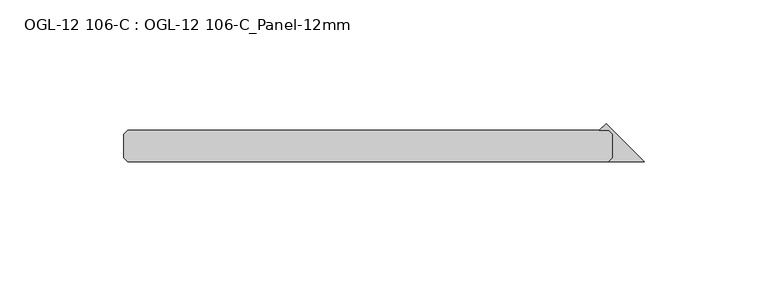
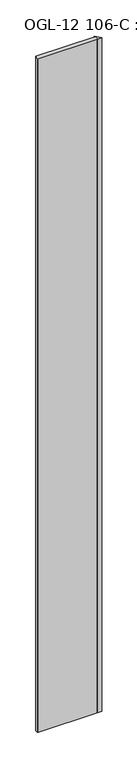
"""IFC4 building model written with IfcOpenShell, lengths in millimetres: plate geometry, OGL-12 106-C : OGL-12 106-C_Panel-12mm."""

from ifc_helpers import new_model, si_unit, origin, origin_with_axes, place, context, project, spatial, polyline, outline, extrude, source, transform, mapped, element, save


def ogl_12_106_c_ogl_12_106_c_panel_12mm_e43bb3da(model_context):
    return source(origin(), model_context, "Body", "SweptSolid", [
        extrude(outline(polyline([(95.6473423, -4.7625), (95.6473423, 4.7625), (94.0598423, 6.35), (90.2272782, 6.35), (92.9373103, 9.060032), (108.3473423, -6.35), (94.0598423, -6.35), (95.6473423, -4.7625)])), origin_with_axes(), (0.0, 0.0, 1.0), 2339.914687),
        extrude(outline(polyline([(94.0598423, -6.35), (-100.4098423, -6.35), (-101.9973423, -4.7625), (-101.9973423, 4.7625), (-100.4098423, 6.35), (94.0598423, 6.35), (95.6473423, 4.7625), (95.6473423, -4.7625), (94.0598423, -6.35)])), origin_with_axes(), (0.0, 0.0, 1.0), 2339.914687),
    ])


if __name__ == "__main__":
    model = new_model("IFC4")
    model_context = context("Model", 3, world=origin())
    ifc_project = project(units=[si_unit("LENGTHUNIT", "METRE", prefix="MILLI")], contexts=[model_context])
    site = spatial("IfcSite", under=ifc_project)
    building = spatial("IfcBuilding", under=site)
    placement = place(None, origin())
    ogl_12_106_c_ogl_12_106_c_panel_12mm_shape = ogl_12_106_c_ogl_12_106_c_panel_12mm_e43bb3da(model_context)
    element("IfcPlate", 1, ObjectType="OGL-12 106-C : OGL-12 106-C_Panel-12mm", at=placement, inside=building, context=model_context, shape_type="MappedRepresentation", body=[
        mapped(ogl_12_106_c_ogl_12_106_c_panel_12mm_shape, transform((0.0, 0.0, 0.0), x_axis=(1.0, 0.0, 0.0), y_axis=(0.0, 1.0, 0.0), z_axis=(0.0, 0.0, 1.0))),
    ])
    save(model, "model.ifc")
